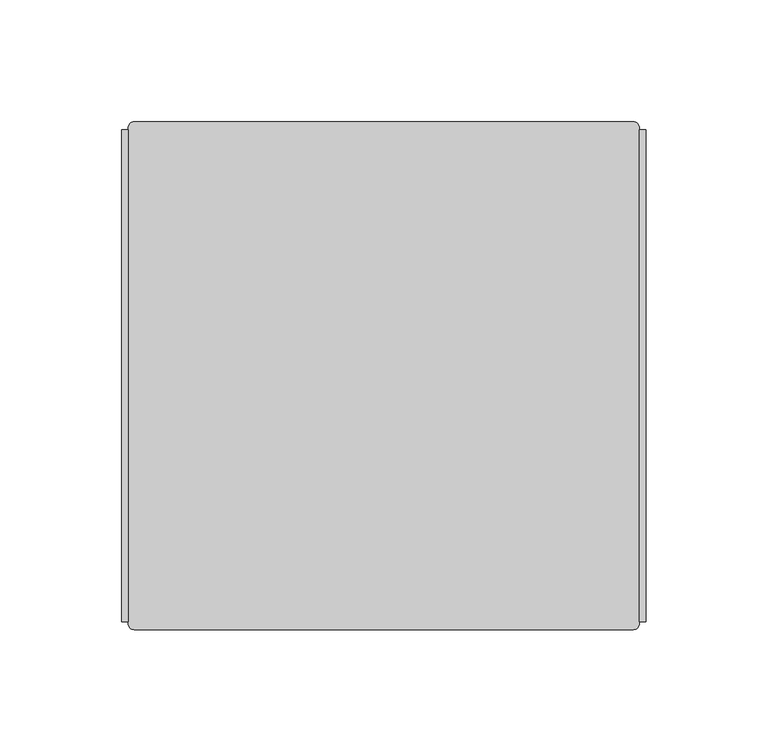
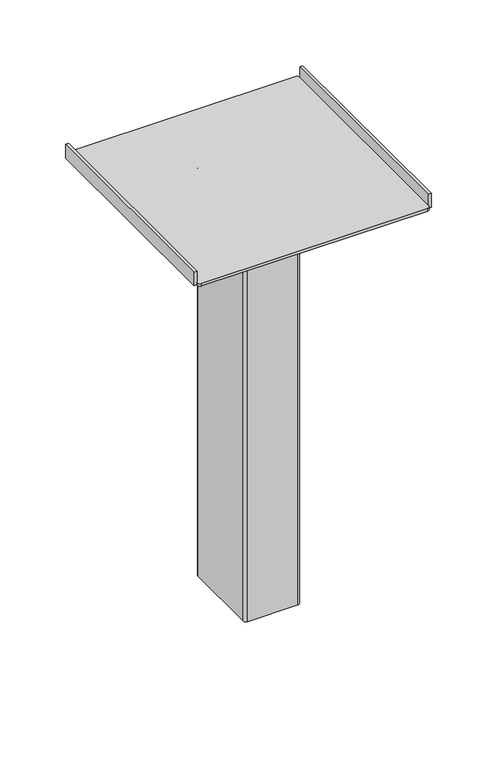
"""IFC4 building model written with IfcOpenShell, lengths in millimetres: furniture geometry."""

import ifcopenshell
import ifcopenshell.guid

model = None  # the IFC model being written
_history = None  # IfcOwnerHistory: only IFC2X3 demands one
_inside = {}  # id of a spatial element -> (the spatial element, [elements in it])
_under = {}  # id of a project, library or spatial element -> (it, [spatial elements below it])
_declared = {}  # id of a project -> (the project, [libraries it declares])
_typed = {}  # id of a type object -> (the type object, [elements of that type])
_made_of = {}  # id of a material, layer set ... -> (it, [elements and type objects made of it])


def new_model(schema):
    """Start an empty IFC model of exactly this schema.

    Asked for "IFC4X3", IfcOpenShell would pick the latest addendum, in which some entities
    have other attributes; the version numbers below select the first issue.
    IFC2X3 requires an IfcOwnerHistory on every rooted entity: one is made here for all.
    """
    global model, _history
    if schema == "IFC4X3":
        model = ifcopenshell.file(schema_version=(4, 3, 0, 0))
    else:
        model = ifcopenshell.file(schema=schema)
    _inside.clear()
    _under.clear()
    _declared.clear()
    _typed.clear()
    _made_of.clear()
    _history = None
    if model.schema == "IFC2X3":
        org = make("IfcOrganization", Name="unknown")
        user = make(
            "IfcPersonAndOrganization",
            ThePerson=make("IfcPerson", FamilyName="unknown"),
            TheOrganization=org,
        )
        app = make(
            "IfcApplication",
            ApplicationDeveloper=org,
            Version="unknown",
            ApplicationFullName="unknown",
            ApplicationIdentifier="unknown",
        )
        _history = make(
            "IfcOwnerHistory",
            OwningUser=user,
            OwningApplication=app,
            ChangeAction="ADDED",
            CreationDate=0,
        )
    return model


def make(cls, **values):
    """One entity of the class cls with the attributes given. An attribute that is None is left unset."""
    return model.create_entity(
        cls, **{name: value for name, value in values.items() if value is not None}
    )


def rooted(cls, **values):
    """An entity with a GlobalId (a new one), such as an element, a storey or a relation."""
    return make(cls, GlobalId=ifcopenshell.guid.new(), OwnerHistory=_history, **values)


def si_unit(unit_type, name, prefix=None):
    """IfcSIUnit, for example si_unit("LENGTHUNIT", "METRE", prefix="MILLI")."""
    return make("IfcSIUnit", UnitType=unit_type, Prefix=prefix, Name=name)


def assignment(units):
    """IfcUnitAssignment: the units of a project."""
    return None if units is None else make("IfcUnitAssignment", Units=units)


def point(xyz):
    """IfcCartesianPoint."""
    return None if xyz is None else make("IfcCartesianPoint", Coordinates=xyz)


def direction(xyz):
    """IfcDirection."""
    return None if xyz is None else make("IfcDirection", DirectionRatios=xyz)


def frame(location, z_axis=None, x_axis=None):
    """IfcAxis2Placement3D, a coordinate frame: its origin and axes. An axis left out is left unset."""
    return make(
        "IfcAxis2Placement3D",
        Location=point(location),
        Axis=direction(z_axis),
        RefDirection=direction(x_axis),
    )


def frame_2d(location, x_axis=None):
    """IfcAxis2Placement2D, a coordinate frame in the plane: its origin and x axis."""
    return make(
        "IfcAxis2Placement2D", Location=point(location), RefDirection=direction(x_axis)
    )


def origin():
    """The frame at (0, 0, 0) with its axes left unset."""
    return frame((0.0, 0.0, 0.0))


def place(relative_to, where):
    """IfcLocalPlacement: puts the frame where relative to a parent placement (None: the world)."""
    return make(
        "IfcLocalPlacement", PlacementRelTo=relative_to, RelativePlacement=where
    )


def context(
    kind, dimensions, precision=None, world=None, true_north=None, identifier=None
):
    """IfcGeometricRepresentationContext, for example the 3D "Model" context."""
    return make(
        "IfcGeometricRepresentationContext",
        ContextIdentifier=identifier,
        ContextType=kind,
        CoordinateSpaceDimension=dimensions,
        Precision=precision,
        WorldCoordinateSystem=world,
        TrueNorth=true_north,
    )


def project(units=None, contexts=None):
    """IfcProject with its units and contexts."""
    return rooted(
        "IfcProject",
        Name="project",
        RepresentationContexts=contexts,
        UnitsInContext=assignment(units),
    )


def spatial(cls, under=None, at=None, **own):
    """A site, building, storey or space (cls), placed at a placement, below another one or the project."""
    s = rooted(cls, ObjectPlacement=at, **own)
    if under is not None:
        _under.setdefault(under.id(), (under, []))[1].append(s)
    return s


def polyline(points):
    """IfcPolyline through the points."""
    return make("IfcPolyline", Points=[point(p) for p in points])


def circle_curve(where, radius):
    """IfcCircle in the frame where."""
    return make("IfcCircle", Position=where, Radius=radius)


def trimmed(basis, trim1, trim2, sense, master):
    """IfcTrimmedCurve: the piece of a basis curve between two trims."""
    return make(
        "IfcTrimmedCurve",
        BasisCurve=basis,
        Trim1=trim1,
        Trim2=trim2,
        SenseAgreement=sense,
        MasterRepresentation=master,
    )


def segment(curve, same_sense, transition):
    """IfcCompositeCurveSegment."""
    return make(
        "IfcCompositeCurveSegment",
        Transition=transition,
        SameSense=same_sense,
        ParentCurve=curve,
    )


def composite_curve(segments, self_intersect=None):
    """IfcCompositeCurve: segments joined end to end."""
    return make("IfcCompositeCurve", Segments=segments, SelfIntersect=self_intersect)


def outline(outer, holes=None, kind="AREA"):
    """IfcArbitraryClosedProfileDef: a profile drawn as a closed curve; with holes, ...WithVoids."""
    if holes is None:
        return make("IfcArbitraryClosedProfileDef", ProfileType=kind, OuterCurve=outer)
    return make(
        "IfcArbitraryProfileDefWithVoids",
        ProfileType=kind,
        OuterCurve=outer,
        InnerCurves=holes,
    )


def extrude(swept, where, along, depth):
    """IfcExtrudedAreaSolid: the profile swept, set in the frame where, extruded along a direction by depth."""
    return make(
        "IfcExtrudedAreaSolid",
        SweptArea=swept,
        Position=where,
        ExtrudedDirection=direction(along),
        Depth=depth,
    )


def shape(context_of_items, identifier, shape_type, items):
    """IfcShapeRepresentation: the items that make up one representation, for example the "Body"."""
    return make(
        "IfcShapeRepresentation",
        ContextOfItems=context_of_items,
        RepresentationIdentifier=identifier,
        RepresentationType=shape_type,
        Items=items,
    )


def source(mapping_origin, context_of_items, identifier, shape_type, items):
    """IfcRepresentationMap: a shape defined once, which mapped items show again and again."""
    return make(
        "IfcRepresentationMap",
        MappingOrigin=mapping_origin,
        MappedRepresentation=shape(context_of_items, identifier, shape_type, items),
    )


def transform(
    local_origin,
    x_axis=None,
    y_axis=None,
    z_axis=None,
    scale=None,
    scale2=None,
    scale3=None,
    uniform=True,
):
    """IfcCartesianTransformationOperator3D, or its non-uniform kind. x_axis, y_axis, z_axis: its Axis1, 2, 3."""
    if uniform:
        return make(
            "IfcCartesianTransformationOperator3D",
            Axis1=direction(x_axis),
            Axis2=direction(y_axis),
            LocalOrigin=point(local_origin),
            Scale=scale,
            Axis3=direction(z_axis),
        )
    return make(
        "IfcCartesianTransformationOperator3DnonUniform",
        Axis1=direction(x_axis),
        Axis2=direction(y_axis),
        LocalOrigin=point(local_origin),
        Scale=scale,
        Axis3=direction(z_axis),
        Scale2=scale2,
        Scale3=scale3,
    )


def mapped(mapping_source, mapping_target):
    """IfcMappedItem: shows the shape of a source again, moved by a transform."""
    return make(
        "IfcMappedItem", MappingSource=mapping_source, MappingTarget=mapping_target
    )


def made_of(thing, what):
    """Note that an element or type object is made of a material, layer set ...; save() writes the relation."""
    if what is not None:
        _made_of.setdefault(what.id(), (what, []))[1].append(thing)
    return thing


def element(
    cls,
    number,
    at=None,
    inside=None,
    cuts=None,
    type_object=None,
    material=None,
    context=None,
    identifier="Body",
    shape_type=None,
    held_by="IfcProductDefinitionShape",
    body=None,
    shapes=None,
    **own,
):
    """One element of the class cls, such as IfcWall. Its Tag is "e" and its number.

    at: its placement. inside: the storey or other place that contains it. cuts: it is an
    opening in that element (IfcRelVoidsElement). A single representation is given by context,
    identifier, shape_type and body (its items); several are given by shapes. held_by: the class
    of the entity that holds the representations. save() writes the other relations.
    """
    e = rooted(cls, Tag="e%d" % number, ObjectPlacement=at, **own)
    if body is not None:
        shapes = [shape(context, identifier, shape_type, body)]
    if shapes is not None:
        e.Representation = make(held_by, Representations=shapes)
    if inside is not None:
        _inside.setdefault(inside.id(), (inside, []))[1].append(e)
    if cuts is not None:
        rooted(
            "IfcRelVoidsElement", RelatingBuildingElement=cuts, RelatedOpeningElement=e
        )
    if type_object is not None:
        _typed.setdefault(type_object.id(), (type_object, []))[1].append(e)
    return made_of(e, material)


def aggregate(whole, parts):
    """IfcRelAggregates: a whole, such as a stair, and the parts it consists of."""
    return rooted("IfcRelAggregates", RelatingObject=whole, RelatedObjects=parts)


def save(model, path):
    """Write the relations noted so far, then the file.

    IfcRelAggregates (storeys below a building ...), IfcRelContainedInSpatialStructure (elements
    in a storey), IfcRelDefinesByType, IfcRelAssociatesMaterial and IfcRelDeclares: one each for
    every whole, place, type object, material and project.
    """
    for whole, parts in _under.values():
        aggregate(whole, parts)
    for where, things in _inside.values():
        rooted(
            "IfcRelContainedInSpatialStructure",
            RelatedElements=things,
            RelatingStructure=where,
        )
    for kind, things in _typed.values():
        rooted("IfcRelDefinesByType", RelatedObjects=things, RelatingType=kind)
    for what, things in _made_of.values():
        rooted("IfcRelAssociatesMaterial", RelatedObjects=things, RelatingMaterial=what)
    for by, libraries in _declared.values():
        rooted("IfcRelDeclares", RelatingContext=by, RelatedDefinitions=libraries)
    model.write(path)


def plane_surface(at):
    """IfcPlane: the flat surface through the origin of the frame at, square to its z axis."""
    return make("IfcPlane", Position=at)


def cylinder_surface(at, radius):
    """IfcCylindricalSurface: all points at the distance radius from the z axis of the frame at."""
    return make("IfcCylindricalSurface", Position=at, Radius=radius)


def advanced_brep(points, edges, surfaces, faces):
    """IfcAdvancedBrep: a solid bounded by faces that lie on surfaces and meet in shared edges.

    An edge is (start, end): straight between two places in points (the first is 0);
    or (start, end, curve); or (start, end, curve, False) where it runs against its curve.
    A face is (place in surfaces, loops), or (place, loops, False) where it looks against
    its surface's normal. A loop lists edges by number (the first is 1), with a minus sign
    where the edge is run from its end to its start. The first loop is the outer one.
    """
    corners = [point(p) for p in points]
    vertices = [make("IfcVertexPoint", VertexGeometry=c) for c in corners]
    made = []
    for start, end, *more in edges:
        made.append(
            make(
                "IfcEdgeCurve",
                EdgeStart=vertices[start],
                EdgeEnd=vertices[end],
                EdgeGeometry=more[0] if more else make("IfcPolyline", Points=[corners[start], corners[end]]),
                SameSense=more[1] if len(more) > 1 else True,
            )
        )
    hull = []
    for where, loops, *sense in faces:
        bounds = []
        for j, loop in enumerate(loops):
            ring = [make("IfcOrientedEdge", EdgeElement=made[abs(k) - 1], Orientation=k > 0) for k in loop]
            bounds.append(
                make(
                    "IfcFaceOuterBound" if j == 0 else "IfcFaceBound",
                    Bound=make("IfcEdgeLoop", EdgeList=ring),
                    Orientation=True,
                )
            )
        hull.append(make("IfcAdvancedFace", Bounds=bounds, FaceSurface=surfaces[where], SameSense=sense[0] if sense else True))
    return make("IfcAdvancedBrep", Outer=make("IfcClosedShell", CfsFaces=hull))


def furniture_244b8560(model_context):
    return source(origin(), model_context, "Body", "SolidModel", [
        extrude(outline(composite_curve([segment(trimmed(circle_curve(frame_2d((14.2465328, -49.3434032)), 1.27), [point((15.3463851, -48.7084032))], [point((14.2465328, -50.6134032))], False, "CARTESIAN"), True, "CONTINUOUS"), segment(polyline([(14.2465328, -50.6134032), (0.461719, -50.6134032)]), True, "CONTINUOUS"), segment(trimmed(circle_curve(frame_2d((0.461719, -49.3434032)), 1.27), [point((0.461719, -50.6134032))], [point((-0.6381332, -49.9784032))], False, "CARTESIAN"), True, "CONTINUOUS"), segment(polyline([(-0.6381332, -49.9784032), (-12.8876634, -28.7615956)]), True, "CONTINUOUS"), segment(trimmed(circle_curve(frame_2d((-11.7878111, -28.1265956)), 1.27), [point((-12.8876634, -28.7615956))], [point((-11.7878111, -26.8565956))], False, "CARTESIAN"), True, "CONTINUOUS"), segment(polyline([(-11.7878111, -26.8565956), (1.9970051, -26.8565956)]), True, "CONTINUOUS"), segment(trimmed(circle_curve(frame_2d((1.9970051, -28.1265956)), 1.27), [point((1.9970051, -26.8565956))], [point((3.0968574, -27.4915957))], False, "CARTESIAN"), True, "CONTINUOUS"), segment(polyline([(3.0968574, -27.4915957), (15.3463851, -48.7084032)]), True, "CONTINUOUS")], self_intersect=False)), frame((0.0, 0.0, 552.45), z_axis=(0.0, 0.0, 1.0), x_axis=(1.0, 0.0, 0.0)), (0.0, 0.0, 1.0), 6.3500121),
        extrude(outline(composite_curve([segment(trimmed(circle_curve(frame_2d((1.2293616, -38.7350004)), 3.9687492), [point((1.2293616, -34.7662512))], [point((1.2293616, -42.7037496))], False, "CARTESIAN"), True, "CONTINUOUS"), segment(trimmed(circle_curve(frame_2d((1.2293616, -38.7350004)), 3.9687492), [point((1.2293616, -42.7037496))], [point((1.2293616, -34.7662512))], False, "CARTESIAN"), True, "CONTINUOUS")], self_intersect=False)), frame((0.0, 0.0, 558.8000121), z_axis=(0.0, 0.0, 1.0), x_axis=(1.0, 0.0, 0.0)), (0.0, 0.0, 1.0), 3.1749879),
        advanced_brep(
        [(-101.2345342, 65.4235638, 951.611), (103.6932504, 65.4235638, 951.611), (106.2332504, 62.8835638, 951.611), (106.2332504, 62.2485623, 951.611), (108.773248, 62.2485623, 951.611), (108.773248, -139.706834, 951.611), (106.2332504, -139.706834, 951.611), (106.2332504, -140.3418401, 951.611), (103.6932504, -142.8818401, 951.611), (-101.2345342, -142.8818401, 951.611), (-103.7745342, -140.3418401, 951.611), (-103.7745342, -139.706834, 951.611), (-106.3145318, -139.706834, 951.611), (-106.3145318, 62.2485623, 951.611), (-103.7745342, 62.2485623, 951.611), (-103.7745342, 62.8835638, 951.611), (-101.2345342, 65.4235638, 954.1510136), (-103.7745342, 62.8835638, 954.1510136), (-103.7745342, 62.2485623, 954.1510136), (-103.7745342, -139.706834, 954.1510136), (-103.7745342, -140.3418401, 954.1510136), (-101.2345342, -142.8818401, 954.1510136), (103.6932504, -142.8818401, 954.1510136), (106.2332504, -140.3418401, 954.1510136), (106.2332504, -139.706834, 954.1510136), (106.2332504, 62.2485623, 954.1510136), (106.2332504, 62.8835638, 954.1510136), (103.6932504, 65.4235638, 954.1510136), (108.773248, -139.706834, 964.8189671), (106.2332504, -139.706834, 964.8189671), (-106.3145318, -139.706834, 964.8189671), (-103.7745342, -139.706834, 964.8189671), (-106.3145318, 62.2485623, 964.8189671), (-103.7745342, 62.2485623, 964.8189671), (106.2332504, 62.2485623, 964.8189671), (108.773248, 62.2485623, 964.8189671)],
        [
            (0, 1),
            (1, 2, circle_curve(frame((103.6932504, 62.8835638, 951.611), z_axis=(0.0, 0.0, -1.0), x_axis=(0.0, -1.0, 0.0)), 2.54)),
            (2, 3),
            (3, 4),
            (4, 5),
            (5, 6),
            (6, 7),
            (7, 8, circle_curve(frame((103.6932504, -140.3418401, 951.611), z_axis=(0.0, 0.0, -1.0), x_axis=(0.0, -1.0, 0.0)), 2.54)),
            (8, 9),
            (9, 10, circle_curve(frame((-101.2345342, -140.3418401, 951.611), z_axis=(0.0, 0.0, -1.0), x_axis=(0.0, -1.0, 0.0)), 2.54)),
            (10, 11),
            (11, 12),
            (12, 13),
            (13, 14),
            (14, 15),
            (15, 0, circle_curve(frame((-101.2345342, 62.8835638, 951.611), z_axis=(0.0, 0.0, -1.0), x_axis=(0.0, -1.0, 0.0)), 2.54)),
            (16, 17, circle_curve(frame((-101.2345342, 62.8835638, 954.1510136), z_axis=(0.0, 0.0, 1.0), x_axis=(0.0, -1.0, 0.0)), 2.54)),
            (17, 18),
            (18, 19),
            (19, 20),
            (20, 21, circle_curve(frame((-101.2345342, -140.3418401, 954.1510136), z_axis=(0.0, 0.0, 1.0), x_axis=(0.0, -1.0, 0.0)), 2.54)),
            (21, 22),
            (22, 23, circle_curve(frame((103.6932504, -140.3418401, 954.1510136), z_axis=(0.0, 0.0, 1.0), x_axis=(0.0, -1.0, 0.0)), 2.54)),
            (23, 24),
            (24, 25),
            (25, 26),
            (26, 27, circle_curve(frame((103.6932504, 62.8835638, 954.1510136), z_axis=(0.0, 0.0, 1.0), x_axis=(0.0, -1.0, 0.0)), 2.54)),
            (27, 16),
            (0, 16),
            (27, 1),
            (26, 2),
            (25, 3),
            (23, 7),
            (6, 24),
            (22, 8),
            (21, 9),
            (20, 10),
            (19, 11),
            (17, 15),
            (14, 18),
            (5, 28),
            (28, 29),
            (29, 24),
            (30, 12),
            (19, 31),
            (31, 30),
            (32, 33),
            (33, 18),
            (13, 32),
            (34, 35),
            (35, 4),
            (25, 34),
            (30, 32),
            (33, 31),
            (29, 34),
            (35, 28),
        ],
        [
            plane_surface(frame((103.0582534, 65.4235638, 951.611), z_axis=(0.0, 0.0, -1.0), x_axis=(1.0, 0.0, 0.0))),
            plane_surface(frame((103.0582534, 65.4235638, 954.1510136), z_axis=(0.0, 0.0, 1.0), x_axis=(-1.0, 0.0, 0.0))),
            plane_surface(frame((-101.2345342, 65.4235638, 951.611), z_axis=(0.0, 1.0, 0.0), x_axis=(0.0, 0.0, 1.0))),
            cylinder_surface(frame((103.6932504, 62.8835638, 954.1510136), z_axis=(0.0, 0.0, -1.0), x_axis=(0.0, -1.0, 0.0)), 2.54),
            plane_surface(frame((106.2332504, 62.8835638, 951.611), z_axis=(1.0, 0.0, 0.0), x_axis=(0.0, 0.0, 1.0))),
            cylinder_surface(frame((103.6932504, -140.3418401, 954.1510136), z_axis=(0.0, 0.0, -1.0), x_axis=(0.0, -1.0, 0.0)), 2.54),
            plane_surface(frame((103.6932504, -142.8818401, 951.611), z_axis=(0.0, -1.0, 0.0), x_axis=(0.0, 0.0, 1.0))),
            cylinder_surface(frame((-101.2345342, -140.3418401, 954.1510136), z_axis=(0.0, 0.0, -1.0), x_axis=(0.0, -1.0, 0.0)), 2.54),
            plane_surface(frame((-103.7745342, -140.3418401, 951.611), z_axis=(-1.0, 0.0, 0.0), x_axis=(0.0, 0.0, 1.0))),
            cylinder_surface(frame((-101.2345342, 62.8835638, 954.1510136), z_axis=(0.0, 0.0, -1.0), x_axis=(0.0, -1.0, 0.0)), 2.54),
            plane_surface(frame((-106.3145318, -139.706834, 964.8189671), z_axis=(0.0, -1.0, 0.0), x_axis=(0.0, 0.0, -1.0))),
            plane_surface(frame((-106.3145318, 62.2485623, 964.8189671), z_axis=(0.0, 1.0, 0.0), x_axis=(0.0, 0.0, 1.0))),
            plane_surface(frame((-106.3145318, -139.706834, 964.8189671), z_axis=(-1.0, 0.0, 0.0), x_axis=(0.0, 1.0, 0.0))),
            plane_surface(frame((-103.7745342, -139.706834, 951.611), z_axis=(1.0, 0.0, 0.0), x_axis=(0.0, 1.0, 0.0))),
            plane_surface(frame((-103.7745342, -139.706834, 964.8189671), z_axis=(0.0, 0.0, 1.0), x_axis=(0.0, 1.0, 0.0))),
            plane_surface(frame((106.2332504, -139.706834, 964.8189671), z_axis=(-1.0, 0.0, 0.0), x_axis=(0.0, 1.0, 0.0))),
            plane_surface(frame((108.773248, -139.706834, 951.611), z_axis=(1.0, 0.0, 0.0), x_axis=(0.0, 1.0, 0.0))),
            plane_surface(frame((108.773248, -139.706834, 964.8189671), z_axis=(0.0, 0.0, 1.0), x_axis=(0.0, 1.0, 0.0))),
        ],
        [
            (0, [[1, 2, 3, 4, 5, 6, 7, 8, 9, 10, 11, 12, 13, 14, 15, 16]]),
            (1, [[17, 18, 19, 20, 21, 22, 23, 24, 25, 26, 27, 28]]),
            (2, [[-1, 29, -28, 30]]),
            (3, [[-2, -30, -27, 31]]),
            (4, [[-31, -26, 32, -3]]),
            (4, [[33, -7, 34, -24]]),
            (5, [[-8, -33, -23, 35]]),
            (6, [[-9, -35, -22, 36]]),
            (7, [[-10, -36, -21, 37]]),
            (8, [[-37, -20, 38, -11]]),
            (8, [[39, -15, 40, -18]]),
            (9, [[-16, -39, -17, -29]]),
            (10, [[-6, 41, 42, 43, -34]]),
            (10, [[44, -12, -38, 45, 46]]),
            (11, [[47, 48, -40, -14, 49]]),
            (11, [[50, 51, -4, -32, 52]]),
            (12, [[-44, 53, -49, -13]]),
            (13, [[54, -45, -19, -48]]),
            (14, [[-46, -54, -47, -53]]),
            (15, [[55, -52, -25, -43]]),
            (16, [[-41, -5, -51, 56]]),
            (17, [[-42, -56, -50, -55]]),
        ],
    ),
        extrude(outline(composite_curve([segment(trimmed(circle_curve(frame_2d((-21.6306404, -3.175)), 2.54), [point((-24.1706404, -3.175))], [point((-21.6306404, -0.635))], False, "CARTESIAN"), True, "CONTINUOUS"), segment(polyline([(-21.6306404, -0.635), (24.0893611, -0.635)]), True, "CONTINUOUS"), segment(trimmed(circle_curve(frame_2d((24.0893611, -3.175)), 2.54), [point((24.0893611, -0.635))], [point((26.6293611, -3.175))], False, "CARTESIAN"), True, "CONTINUOUS"), segment(polyline([(26.6293611, -3.175), (26.6293611, -74.2949994)]), True, "CONTINUOUS"), segment(trimmed(circle_curve(frame_2d((24.0893611, -74.2949994)), 2.54), [point((26.6293611, -74.2949994))], [point((24.0893611, -76.8349994))], False, "CARTESIAN"), True, "CONTINUOUS"), segment(polyline([(24.0893611, -76.8349994), (-21.6306404, -76.8349994)]), True, "CONTINUOUS"), segment(trimmed(circle_curve(frame_2d((-21.6306404, -74.2949994)), 2.54), [point((-21.6306404, -76.8349994))], [point((-24.1706404, -74.2949994))], False, "CARTESIAN"), True, "CONTINUOUS"), segment(polyline([(-24.1706404, -74.2949994), (-24.1706404, -3.175)]), True, "CONTINUOUS")], self_intersect=False)), frame((0.0, 0.0, 561.975), z_axis=(0.0, 0.0, 1.0), x_axis=(1.0, 0.0, 0.0)), (0.0, 0.0, 1.0), 389.636),
    ])


if __name__ == "__main__":
    model = new_model("IFC4")
    model_context = context("Model", 3, world=origin())
    ifc_project = project(units=[si_unit("LENGTHUNIT", "METRE", prefix="MILLI")], contexts=[model_context])
    site = spatial("IfcSite", under=ifc_project)
    building = spatial("IfcBuilding", under=site)
    placement = place(None, origin())
    furniture_shape = furniture_244b8560(model_context)
    element("IfcFurniture", 1, at=placement, inside=building, context=model_context, shape_type="MappedRepresentation", body=[
        mapped(furniture_shape, transform((0.0, 0.0, 0.0), x_axis=(1.0, 0.0, 0.0), y_axis=(0.0, 1.0, 0.0), z_axis=(0.0, 0.0, 1.0))),
    ])
    save(model, "model.ifc")
